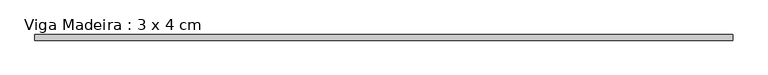
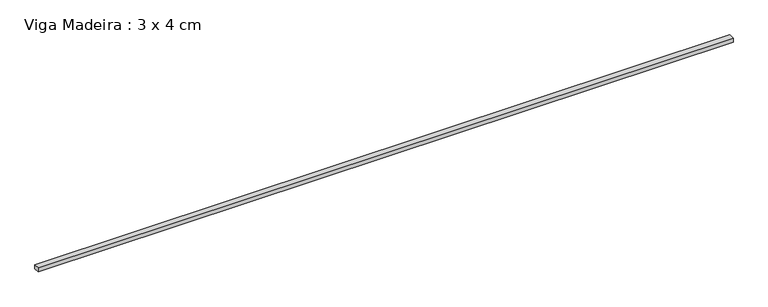
"""IFC4 building model written with IfcOpenShell, lengths in millimetres: beam geometry, Viga Madeira : 3 x 4 cm."""

from ifc_helpers import new_model, si_unit, frame, origin, place, context, project, spatial, polyline, outline, extrude, source, transform, mapped, element, save


def viga_madeira_3_x_4_cm_9959fba7(model_context):
    return source(origin(), model_context, "Body", "SweptSolid", [
        extrude(outline(polyline([(2496.6559413, 20.0), (2496.6559413, -20.0), (-2496.6559413, -20.0), (-2496.6559413, 20.0), (2496.6559413, 20.0)])), frame((0.0, 0.0, -15.0), z_axis=(0.0, 0.0, 1.0), x_axis=(1.0, 0.0, 0.0)), (0.0, 0.0, 1.0), 30.0),
    ])


if __name__ == "__main__":
    model = new_model("IFC4")
    model_context = context("Model", 3, world=origin())
    ifc_project = project(units=[si_unit("LENGTHUNIT", "METRE", prefix="MILLI")], contexts=[model_context])
    site = spatial("IfcSite", under=ifc_project)
    building = spatial("IfcBuilding", under=site)
    placement = place(None, origin())
    viga_madeira_3_x_4_cm_shape = viga_madeira_3_x_4_cm_9959fba7(model_context)
    element("IfcBeam", 1, ObjectType="Viga Madeira : 3 x 4 cm", at=placement, inside=building, context=model_context, shape_type="MappedRepresentation", body=[
        mapped(viga_madeira_3_x_4_cm_shape, transform((0.0, 0.0, 0.0), x_axis=(1.0, 0.0, 0.0), y_axis=(0.0, 1.0, 0.0), z_axis=(0.0, 0.0, 1.0))),
    ])
    save(model, "model.ifc")
